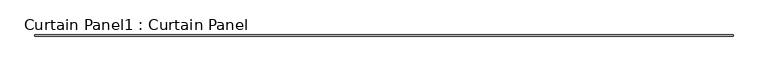
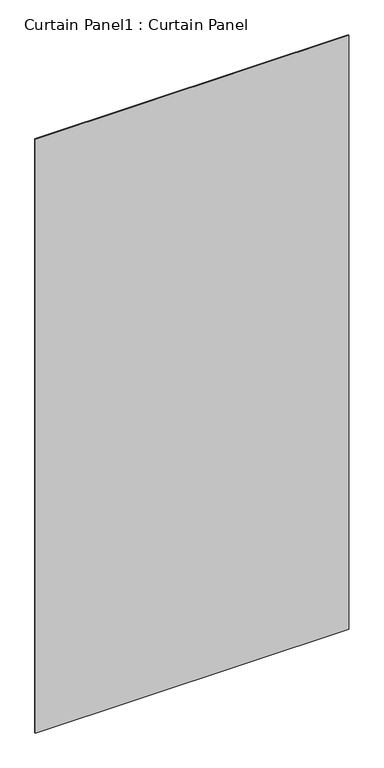
"""IFC4 building model written with IfcOpenShell, lengths in millimetres: plate geometry, Curtain Panel1 : Curtain Panel."""

from ifc_helpers import new_model, si_unit, frame, origin, place, context, project, spatial, polyline, outline, extrude, source, transform, mapped, element, save


def curtain_panel1_curtain_panel_cb8a12dd(model_context):
    return source(origin(), model_context, "Body", "SweptSolid", [
        extrude(outline(polyline([(72327.6161481, 2969.9604768), (69425.8449436, 2969.9604768), (69425.8449436, 2976.3104768), (72327.6161481, 2976.3104768), (72327.6161481, 2969.9604768)])), frame((0.0, 0.0, -710.3867968), z_axis=(0.0, 0.0, 1.0), x_axis=(1.0, 0.0, 0.0)), (0.0, 0.0, 1.0), 5813.4109864),
    ])


if __name__ == "__main__":
    model = new_model("IFC4")
    model_context = context("Model", 3, world=origin())
    ifc_project = project(units=[si_unit("LENGTHUNIT", "METRE", prefix="MILLI")], contexts=[model_context])
    site = spatial("IfcSite", under=ifc_project)
    building = spatial("IfcBuilding", under=site)
    placement = place(None, origin())
    curtain_panel1_curtain_panel_shape = curtain_panel1_curtain_panel_cb8a12dd(model_context)
    element("IfcPlate", 1, ObjectType="Curtain Panel1 : Curtain Panel", at=placement, inside=building, context=model_context, shape_type="MappedRepresentation", body=[
        mapped(curtain_panel1_curtain_panel_shape, transform((0.0, 0.0, 0.0), x_axis=(1.0, 0.0, 0.0), y_axis=(0.0, 1.0, 0.0), z_axis=(0.0, 0.0, 1.0))),
    ])
    save(model, "model.ifc")
